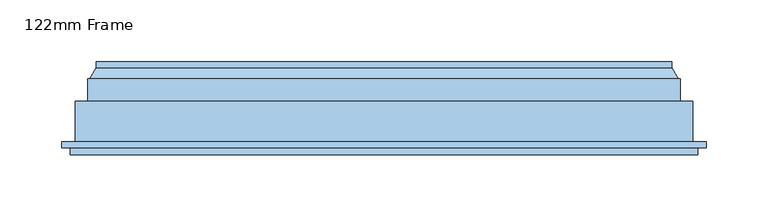
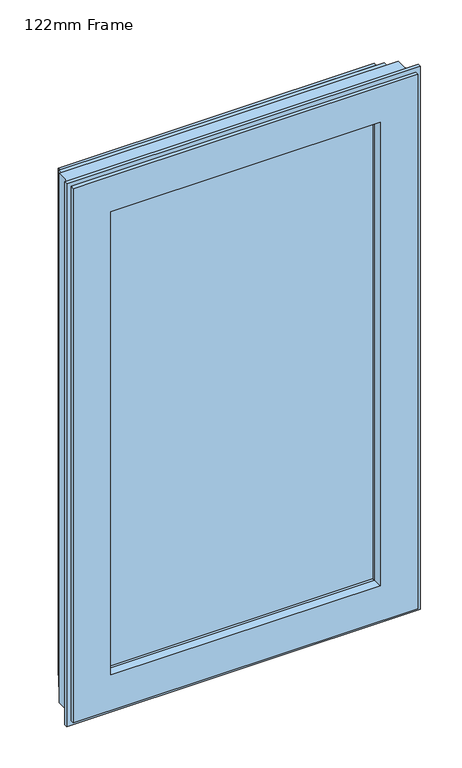
"""IFC4 building model written with IfcOpenShell, lengths in millimetres: window geometry, 122mm Frame."""

from ifc_helpers import new_model, si_unit, frame, origin, place, context, project, spatial, polyline, ellipse_curve, outline, extrude, source, transform, mapped, element, save
from ifc_brep_helpers import plane_surface, cylinder_surface, revolved_surface, advanced_brep


def window_122mm_frame_e2313d2b(model_context):
    return source(origin(), model_context, "Body", "SolidModel", [
        advanced_brep(
        [(-232.3998467, 153.0, 1743.6001533), (-232.3998467, 148.4070391, 1743.6001533), (-232.3998467, 148.4070391, 2532.3998467), (-232.3998467, 153.0, 2532.3998467), (-237.6739389, 139.5531262, 1738.3260611), (-237.6739389, 139.5531262, 2537.6739389), (232.3998467, 148.4070391, 2532.3998467), (232.3998467, 153.0, 2532.3998467), (232.3998467, 153.0, 1743.6001533), (-212.9631076, 153.0, 1763.0368924), (212.9631076, 153.0, 1763.0368924), (212.9631076, 153.0, 2512.9631076), (-212.9631076, 153.0, 2512.9631076), (-239.5133955, 139.5531262, 2539.5133955), (239.5133955, 139.5531262, 2539.5133955), (239.5133955, 139.5531262, 1736.4866045), (-239.5133955, 139.5531262, 1736.4866045), (237.6739389, 139.5531262, 1738.3260611), (237.6739389, 139.5531262, 2537.6739389), (-239.5133955, 121.0, 1736.4866045), (-239.5133955, 121.0, 2539.5133955), (-249.5133955, 121.0, 2549.5133955), (249.5133955, 121.0, 2549.5133955), (249.5133955, 121.0, 1726.4866045), (-249.5133955, 121.0, 1726.4866045), (239.5133955, 121.0, 1736.4866045), (239.5133955, 121.0, 2539.5133955), (-249.5133955, 88.5, 1726.4866045), (-249.5133955, 88.5, 2549.5133955), (-260.2977, 88.5, 2560.2977), (260.2976999, 88.5, 2560.2977), (260.2976999, 88.5, 1715.7023), (-260.2977, 88.5, 1715.7023), (249.5133955, 88.5, 1726.4866045), (249.5133955, 88.5, 2549.5133955), (-260.2977, 83.5, 1715.7023), (-260.2977, 83.5, 2560.2977), (260.2976999, 83.5, 1715.7023), (260.2976999, 83.5, 2560.2977), (-253.5, 83.5, 2553.5), (253.5, 83.5, 2553.5), (253.5, 83.5, 1722.5), (-253.5, 83.5, 1722.5), (-253.5, 78.0, 1722.5), (-253.5, 78.0, 2553.5), (253.5, 78.0, 1722.5), (253.5, 78.0, 2553.5), (-198.3157816, 78.0, 2498.3157816), (198.3157816, 78.0, 2498.3157816), (198.3157816, 78.0, 1777.6842184), (-198.3157816, 78.0, 1777.6842184), (-196.0003067, 88.8934531, 1779.9996933), (-196.0003067, 88.8934531, 2496.0003067), (-196.0003067, 93.0, 1779.9996933), (-196.0003067, 93.0, 2496.0003067), (196.0003067, 88.8934531, 2496.0003067), (-210.0, 93.0, 2510.0), (210.0, 93.0, 2510.0), (210.0, 93.0, 1766.0), (-210.0, 93.0, 1766.0), (196.0003067, 93.0, 1779.9996933), (196.0003067, 93.0, 2496.0003067), (-210.0, 141.0, 1766.0), (-210.0, 141.0, 2510.0), (210.0, 141.0, 1766.0), (210.0, 141.0, 2510.0), (-195.5878486, 141.0, 2495.5878486), (195.5878486, 141.0, 2495.5878486), (195.5878486, 141.0, 1780.4121514), (-195.5878486, 141.0, 1780.4121514), (-199.2566168, 153.0, 1776.7433832), (-199.2566168, 153.0, 2499.2566168), (-206.0349044, 153.0, 2506.0349044), (206.0349044, 153.0, 2506.0349044), (206.0349044, 153.0, 1769.9650956), (-206.0349044, 153.0, 1769.9650956), (199.2566168, 153.0, 1776.7433832), (199.2566168, 153.0, 2499.2566168), (-207.3339425, 152.25, 1768.6660575), (-207.3339425, 152.25, 2507.3339425), (-211.6640695, 152.25, 1764.3359305), (-211.6640695, 152.25, 2511.6640695), (207.3339425, 152.25, 2507.3339425), (211.6640695, 152.25, 2511.6640695), (232.3998467, 148.4070391, 1743.6001533), (196.0003067, 88.8934531, 1779.9996933), (207.3339425, 152.25, 1768.6660575), (211.6640695, 152.25, 1764.3359305)],
        [
            (0, 1),
            (1, 2),
            (2, 3),
            (3, 0),
            (1, 4),
            (4, 5),
            (5, 2),
            (2, 6),
            (6, 7),
            (7, 3),
            (7, 8),
            (8, 0),
            (9, 10),
            (10, 11),
            (11, 12),
            (12, 9),
            (13, 14),
            (14, 15),
            (15, 16),
            (16, 13),
            (4, 17),
            (17, 18),
            (18, 5),
            (18, 6),
            (16, 19),
            (19, 20),
            (20, 13),
            (21, 22),
            (22, 23),
            (23, 24),
            (24, 21),
            (19, 25),
            (25, 26),
            (26, 20),
            (26, 14),
            (24, 27),
            (27, 28),
            (28, 21),
            (29, 30),
            (30, 31),
            (31, 32),
            (32, 29),
            (27, 33),
            (33, 34),
            (34, 28),
            (34, 22),
            (32, 35),
            (35, 36),
            (36, 29),
            (35, 37),
            (37, 38),
            (38, 36),
            (39, 40),
            (40, 41),
            (41, 42),
            (42, 39),
            (38, 30),
            (42, 43),
            (43, 44),
            (44, 39),
            (43, 45),
            (45, 46),
            (46, 44),
            (47, 48),
            (48, 49),
            (49, 50),
            (50, 47),
            (46, 40),
            (50, 51),
            (51, 52),
            (52, 47),
            (51, 53),
            (53, 54),
            (54, 52),
            (52, 55),
            (55, 48),
            (56, 57),
            (57, 58),
            (58, 59),
            (59, 56),
            (53, 60),
            (60, 61),
            (61, 54),
            (61, 55),
            (59, 62),
            (62, 63),
            (63, 56),
            (62, 64),
            (64, 65),
            (65, 63),
            (66, 67),
            (67, 68),
            (68, 69),
            (69, 66),
            (65, 57),
            (69, 70),
            (70, 71),
            (71, 66),
            (72, 73),
            (73, 74),
            (74, 75),
            (75, 72),
            (70, 76),
            (76, 77),
            (77, 71),
            (77, 67),
            (75, 78, ellipse_curve(frame((-206.0349044, 151.5, 1769.9650956), z_axis=(-0.7071067811865475, 0.0, 0.7071067811865475), x_axis=(-0.7071067811865474, 0.0, -0.7071067811865476)), 2.1213203, 1.5)),
            (78, 79),
            (79, 72, ellipse_curve(frame((-206.0349044, 151.5, 2506.0349044), z_axis=(-0.7071067811865475, 0.0, -0.7071067811865475), x_axis=(0.7071067811865474, 0.0, -0.7071067811865476)), 2.1213203, 1.5)),
            (78, 80, ellipse_curve(frame((-209.499006, 153.5, 1766.500994), z_axis=(0.7071067811865475, 0.0, -0.7071067811865475), x_axis=(0.7071067811865474, 0.0, 0.7071067811865476)), 3.5355339, 2.5)),
            (80, 81),
            (81, 79, ellipse_curve(frame((-209.499006, 153.5, 2509.499006), z_axis=(0.7071067811865475, 0.0, 0.7071067811865475), x_axis=(-0.7071067811865474, 0.0, 0.7071067811865476)), 3.5355339, 2.5)),
            (79, 82),
            (82, 73, ellipse_curve(frame((206.0349044, 151.5, 2506.0349044), z_axis=(-0.7071067811865475, 0.0, 0.7071067811865475), x_axis=(-0.7071067811865476, 0.0, -0.7071067811865474)), 2.1213203, 1.5)),
            (80, 9, ellipse_curve(frame((-212.9631076, 151.5, 1763.0368924), z_axis=(-0.7071067811865475, 0.0, 0.7071067811865475), x_axis=(-0.7071067811865474, 0.0, -0.7071067811865476)), 2.1213203, 1.5)),
            (12, 81, ellipse_curve(frame((-212.9631076, 151.5, 2512.9631076), z_axis=(-0.7071067811865475, 0.0, -0.7071067811865475), x_axis=(0.7071067811865474, 0.0, -0.7071067811865476)), 2.1213203, 1.5)),
            (81, 83),
            (83, 82, ellipse_curve(frame((209.499006, 153.5, 2509.499006), z_axis=(0.7071067811865475, 0.0, -0.7071067811865475), x_axis=(0.7071067811865476, 0.0, 0.7071067811865474)), 3.5355339, 2.5)),
            (11, 83, ellipse_curve(frame((212.9631076, 151.5, 2512.9631076), z_axis=(-0.7071067811865475, 0.0, 0.7071067811865475), x_axis=(-0.7071067811865476, 0.0, -0.7071067811865474)), 2.1213203, 1.5)),
            (6, 84),
            (84, 8),
            (17, 84),
            (25, 15),
            (33, 23),
            (37, 31),
            (45, 41),
            (55, 85),
            (85, 49),
            (60, 85),
            (64, 58),
            (76, 68),
            (82, 86),
            (86, 74, ellipse_curve(frame((206.0349044, 151.5, 1769.9650956), z_axis=(0.7071067811865475, 0.0, 0.7071067811865475), x_axis=(-0.7071067811865474, 0.0, 0.7071067811865476)), 2.1213203, 1.5)),
            (83, 87),
            (87, 86, ellipse_curve(frame((209.499006, 153.5, 1766.500994), z_axis=(-0.7071067811865475, 0.0, -0.7071067811865475), x_axis=(0.7071067811865474, 0.0, -0.7071067811865476)), 3.5355339, 2.5)),
            (10, 87, ellipse_curve(frame((212.9631076, 151.5, 1763.0368924), z_axis=(0.7071067811865475, 0.0, 0.7071067811865475), x_axis=(-0.7071067811865474, 0.0, 0.7071067811865476)), 2.1213203, 1.5)),
            (84, 1),
            (85, 51),
            (86, 78),
            (87, 80),
        ],
        [
            plane_surface(frame((-232.3998467, 148.4070391, 1743.6001533), z_axis=(-1.0, 0.0, 0.0), x_axis=(0.0, 0.0, 1.0))),
            plane_surface(frame((-237.6739389, 139.5531262, 1738.3260611), z_axis=(-0.8591262587254928, 0.5117636872310675, 0.0), x_axis=(0.0, 0.0, 1.0))),
            plane_surface(frame((-232.3998467, 148.4070391, 2532.3998467), z_axis=(0.0, 0.0, 1.0), x_axis=(1.0, 0.0, 0.0))),
            plane_surface(frame((232.3998467, 153.0, 1743.6001533), z_axis=(0.0, 1.0, 0.0), x_axis=(-1.0, 0.0, 0.0))),
            plane_surface(frame((239.5133955, 139.5531262, 1736.4866045), z_axis=(0.0, 1.0, 0.0), x_axis=(-1.0, 0.0, 0.0))),
            plane_surface(frame((-237.6739389, 139.5531262, 2537.6739389), z_axis=(0.0, 0.5117636872310675, 0.8591262587254928), x_axis=(1.0, 0.0, 0.0))),
            plane_surface(frame((-239.5133955, 121.0, 1736.4866045), z_axis=(-1.0, 0.0, 0.0), x_axis=(0.0, 0.0, 1.0))),
            plane_surface(frame((249.5133955, 121.0, 1726.4866045), z_axis=(0.0, 1.0, 0.0), x_axis=(-1.0, 0.0, 0.0))),
            plane_surface(frame((-239.5133955, 121.0, 2539.5133955), z_axis=(0.0, 0.0, 1.0), x_axis=(1.0, 0.0, 0.0))),
            plane_surface(frame((-249.5133955, 88.5, 1726.4866045), z_axis=(-1.0, 0.0, 0.0), x_axis=(0.0, 0.0, 1.0))),
            plane_surface(frame((260.2976999, 88.5, 1715.7023), z_axis=(0.0, 1.0, 0.0), x_axis=(-1.0, 0.0, 0.0))),
            plane_surface(frame((-249.5133955, 88.5, 2549.5133955), z_axis=(0.0, 0.0, 1.0), x_axis=(1.0, 0.0, 0.0))),
            plane_surface(frame((-260.2977, 83.5, 1715.7023), z_axis=(-1.0, 0.0, 0.0), x_axis=(0.0, 0.0, 1.0))),
            plane_surface(frame((253.5, 83.5, 1722.5), z_axis=(0.0, -1.0, 0.0), x_axis=(-1.0, 0.0, 0.0))),
            plane_surface(frame((-260.2977, 83.5, 2560.2977), z_axis=(0.0, 0.0, 1.0), x_axis=(1.0, 0.0, 0.0))),
            plane_surface(frame((-253.5, 78.0, 1722.5), z_axis=(-1.0, 0.0, 0.0), x_axis=(0.0, 0.0, 1.0))),
            plane_surface(frame((198.3157816, 78.0, 1777.6842184), z_axis=(0.0, -1.0, 0.0), x_axis=(-1.0, 0.0, 0.0))),
            plane_surface(frame((-253.5, 78.0, 2553.5), z_axis=(0.0, 0.0, 1.0), x_axis=(1.0, 0.0, 0.0))),
            plane_surface(frame((-196.0003067, 88.8934531, 1779.9996933), z_axis=(0.9781476007338071, -0.2079116908177525, 0.0), x_axis=(0.0, 0.0, 1.0))),
            plane_surface(frame((-196.0003067, 93.0, 1779.9996933), z_axis=(1.0, 0.0, 0.0), x_axis=(0.0, 0.0, 1.0))),
            plane_surface(frame((-196.0003067, 88.8934531, 2496.0003067), z_axis=(0.0, -0.2079116908177525, -0.9781476007338071), x_axis=(1.0, 0.0, 0.0))),
            plane_surface(frame((210.0, 93.0, 1766.0), z_axis=(0.0, 1.0, 0.0), x_axis=(-1.0, 0.0, 0.0))),
            plane_surface(frame((-196.0003067, 93.0, 2496.0003067), z_axis=(0.0, 0.0, -1.0), x_axis=(1.0, 0.0, 0.0))),
            plane_surface(frame((-210.0, 141.0, 1766.0), z_axis=(1.0, 0.0, 0.0), x_axis=(0.0, 0.0, 1.0))),
            plane_surface(frame((195.5878486, 141.0, 1780.4121514), z_axis=(0.0, -1.0, 0.0), x_axis=(-1.0, 0.0, 0.0))),
            plane_surface(frame((-210.0, 141.0, 2510.0), z_axis=(0.0, 0.0, -1.0), x_axis=(1.0, 0.0, 0.0))),
            plane_surface(frame((-199.2566168, 153.0, 1776.7433832), z_axis=(0.9563047559629783, 0.29237170472292384, 0.0), x_axis=(0.0, 0.0, 1.0))),
            plane_surface(frame((206.0349044, 153.0, 1769.9650956), z_axis=(0.0, 1.0, 0.0), x_axis=(-1.0, 0.0, 0.0))),
            plane_surface(frame((-199.2566168, 153.0, 2499.2566168), z_axis=(0.0, 0.29237170472292384, -0.9563047559629783), x_axis=(1.0, 0.0, 0.0))),
            cylinder_surface(frame((-206.0349044, 151.5, 1738.4), z_axis=(0.0, 0.0, -1.0), x_axis=(1.0, 0.0, 0.0)), 1.5),
            revolved_surface(polyline([(-206.999006, 153.5, 2511.999005995805), (-206.999006, 153.5, 1764.000994004195)]), (-209.499006, 153.5, 1738.4), (0.0, 0.0, 1.0)),
            cylinder_surface(frame((-237.6, 151.5, 2506.0349044), z_axis=(-1.0, 0.0, 0.0), x_axis=(0.0, 0.0, -1.0)), 1.5),
            cylinder_surface(frame((-212.9631076, 151.5, 1738.4), z_axis=(0.0, 0.0, -1.0), x_axis=(1.0, 0.0, 0.0)), 1.5),
            revolved_surface(polyline([(211.99900599580494, 153.5, 2506.999006), (-211.99900599580494, 153.5, 2506.999006)]), (-237.6, 153.5, 2509.499006), (1.0, 0.0, 0.0)),
            cylinder_surface(frame((-237.6, 151.5, 2512.9631076), z_axis=(-1.0, 0.0, 0.0), x_axis=(0.0, 0.0, -1.0)), 1.5),
            plane_surface(frame((232.3998467, 148.4070391, 2532.3998467), z_axis=(1.0, 0.0, 0.0), x_axis=(0.0, 0.0, -1.0))),
            plane_surface(frame((237.6739389, 139.5531262, 2537.6739389), z_axis=(0.8591262587254928, 0.5117636872310675, 0.0), x_axis=(0.0, 0.0, -1.0))),
            plane_surface(frame((239.5133955, 121.0, 2539.5133955), z_axis=(1.0, 0.0, 0.0), x_axis=(0.0, 0.0, -1.0))),
            plane_surface(frame((249.5133955, 88.5, 2549.5133955), z_axis=(1.0, 0.0, 0.0), x_axis=(0.0, 0.0, -1.0))),
            plane_surface(frame((260.2976999, 83.5, 2560.2977), z_axis=(1.0, 0.0, 0.0), x_axis=(0.0, 0.0, -1.0))),
            plane_surface(frame((253.5, 78.0, 2553.5), z_axis=(1.0, 0.0, 0.0), x_axis=(0.0, 0.0, -1.0))),
            plane_surface(frame((196.0003067, 88.8934531, 2496.0003067), z_axis=(-0.9781476007338071, -0.2079116908177525, 0.0), x_axis=(0.0, 0.0, -1.0))),
            plane_surface(frame((196.0003067, 93.0, 2496.0003067), z_axis=(-1.0, 0.0, 0.0), x_axis=(0.0, 0.0, -1.0))),
            plane_surface(frame((210.0, 141.0, 2510.0), z_axis=(-1.0, 0.0, 0.0), x_axis=(0.0, 0.0, -1.0))),
            plane_surface(frame((199.2566168, 153.0, 2499.2566168), z_axis=(-0.9563047559629783, 0.29237170472292384, 0.0), x_axis=(0.0, 0.0, -1.0))),
            cylinder_surface(frame((206.0349044, 151.5, 2537.6), z_axis=(0.0, 0.0, 1.0), x_axis=(-1.0, 0.0, 0.0)), 1.5),
            revolved_surface(polyline([(206.999006, 153.5, 1764.000994004195), (206.999006, 153.5, 2511.999005995805)]), (209.499006, 153.5, 2537.6), (0.0, 0.0, -1.0)),
            cylinder_surface(frame((212.9631076, 151.5, 2537.6), z_axis=(0.0, 0.0, 1.0), x_axis=(-1.0, 0.0, 0.0)), 1.5),
            plane_surface(frame((232.3998467, 148.4070391, 1743.6001533), z_axis=(0.0, 0.0, -1.0), x_axis=(-1.0, 0.0, 0.0))),
            plane_surface(frame((237.6739389, 139.5531262, 1738.3260611), z_axis=(0.0, 0.5117636872310675, -0.8591262587254928), x_axis=(-1.0, 0.0, 0.0))),
            plane_surface(frame((239.5133955, 121.0, 1736.4866045), z_axis=(0.0, 0.0, -1.0), x_axis=(-1.0, 0.0, 0.0))),
            plane_surface(frame((249.5133955, 88.5, 1726.4866045), z_axis=(0.0, 0.0, -1.0), x_axis=(-1.0, 0.0, 0.0))),
            plane_surface(frame((260.2976999, 83.5, 1715.7023), z_axis=(0.0, 0.0, -1.0), x_axis=(-1.0, 0.0, 0.0))),
            plane_surface(frame((253.5, 78.0, 1722.5), z_axis=(0.0, 0.0, -1.0), x_axis=(-1.0, 0.0, 0.0))),
            plane_surface(frame((196.0003067, 88.8934531, 1779.9996933), z_axis=(0.0, -0.2079116908177525, 0.9781476007338071), x_axis=(-1.0, 0.0, 0.0))),
            plane_surface(frame((196.0003067, 93.0, 1779.9996933), z_axis=(0.0, 0.0, 1.0), x_axis=(-1.0, 0.0, 0.0))),
            plane_surface(frame((210.0, 141.0, 1766.0), z_axis=(0.0, 0.0, 1.0), x_axis=(-1.0, 0.0, 0.0))),
            plane_surface(frame((199.2566168, 153.0, 1776.7433832), z_axis=(0.0, 0.29237170472292384, 0.9563047559629783), x_axis=(-1.0, 0.0, 0.0))),
            cylinder_surface(frame((237.6, 151.5, 1769.9650956), z_axis=(1.0, 0.0, 0.0), x_axis=(0.0, 0.0, 1.0)), 1.5),
            revolved_surface(polyline([(-211.99900599580494, 153.5, 1769.000994), (211.99900599580494, 153.5, 1769.000994)]), (237.6, 153.5, 1766.500994), (-1.0, 0.0, 0.0)),
            cylinder_surface(frame((237.6, 151.5, 1763.0368924), z_axis=(1.0, 0.0, 0.0), x_axis=(0.0, 0.0, 1.0)), 1.5),
        ],
        [
            (0, [[1, 2, 3, 4]]),
            (1, [[5, 6, 7, -2]]),
            (2, [[-3, 8, 9, 10]]),
            (3, [[-10, 11, 12, -4], [13, 14, 15, 16]]),
            (4, [[17, 18, 19, 20], [21, 22, 23, -6]]),
            (5, [[-7, -23, 24, -8]]),
            (6, [[25, 26, 27, -20]]),
            (7, [[28, 29, 30, 31], [32, 33, 34, -26]]),
            (8, [[-27, -34, 35, -17]]),
            (9, [[36, 37, 38, -31]]),
            (10, [[39, 40, 41, 42], [43, 44, 45, -37]]),
            (11, [[-38, -45, 46, -28]]),
            (12, [[47, 48, 49, -42]]),
            (13, [[50, 51, 52, -48], [53, 54, 55, 56]]),
            (14, [[-49, -52, 57, -39]]),
            (15, [[58, 59, 60, -56]]),
            (16, [[61, 62, 63, -59], [64, 65, 66, 67]]),
            (17, [[-60, -63, 68, -53]]),
            (18, [[69, 70, 71, -67]]),
            (19, [[72, 73, 74, -70]]),
            (20, [[-71, 75, 76, -64]]),
            (21, [[77, 78, 79, 80], [81, 82, 83, -73]]),
            (22, [[-74, -83, 84, -75]]),
            (23, [[85, 86, 87, -80]]),
            (24, [[88, 89, 90, -86], [91, 92, 93, 94]]),
            (25, [[-87, -90, 95, -77]]),
            (26, [[96, 97, 98, -94]]),
            (27, [[99, 100, 101, 102], [103, 104, 105, -97]]),
            (28, [[-98, -105, 106, -91]]),
            (29, [[107, 108, 109, -102]]),
            (30, [[110, 111, 112, -108]]),
            (31, [[-109, 113, 114, -99]]),
            (32, [[115, -16, 116, -111]]),
            (33, [[-112, 117, 118, -113]]),
            (34, [[-116, -15, 119, -117]]),
            (35, [[-9, 120, 121, -11]]),
            (36, [[-24, -22, 122, -120]]),
            (37, [[-35, -33, 123, -18]]),
            (38, [[-46, -44, 124, -29]]),
            (39, [[-57, -51, 125, -40]]),
            (40, [[-68, -62, 126, -54]]),
            (41, [[-76, 127, 128, -65]]),
            (42, [[-84, -82, 129, -127]]),
            (43, [[-95, -89, 130, -78]]),
            (44, [[-106, -104, 131, -92]]),
            (45, [[-114, 132, 133, -100]]),
            (46, [[-118, 134, 135, -132]]),
            (47, [[-119, -14, 136, -134]]),
            (48, [[-121, 137, -1, -12]]),
            (49, [[-122, -21, -5, -137]]),
            (50, [[-123, -32, -25, -19]]),
            (51, [[-124, -43, -36, -30]]),
            (52, [[-125, -50, -47, -41]]),
            (53, [[-126, -61, -58, -55]]),
            (54, [[-128, 138, -69, -66]]),
            (55, [[-129, -81, -72, -138]]),
            (56, [[-130, -88, -85, -79]]),
            (57, [[-131, -103, -96, -93]]),
            (58, [[-133, 139, -107, -101]]),
            (59, [[-135, 140, -110, -139]]),
            (60, [[-136, -13, -115, -140]]),
        ],
    ),
        extrude(outline(polyline([(-210.0, 141.0), (210.0, 141.0), (210.0, 93.0), (-210.0, 93.0), (-210.0, 141.0)])), frame((0.0, 0.0, 1766.0), z_axis=(0.0, 0.0, 1.0), x_axis=(1.0, 0.0, 0.0)), (0.0, 0.0, 1.0), 744.0),
    ])


if __name__ == "__main__":
    model = new_model("IFC4")
    model_context = context("Model", 3, world=origin())
    ifc_project = project(units=[si_unit("LENGTHUNIT", "METRE", prefix="MILLI")], contexts=[model_context])
    site = spatial("IfcSite", under=ifc_project)
    building = spatial("IfcBuilding", under=site)
    placement = place(None, origin())
    window_122mm_frame_shape = window_122mm_frame_e2313d2b(model_context)
    element("IfcWindow", 1, ObjectType="122mm Frame", at=placement, inside=building, context=model_context, shape_type="MappedRepresentation", body=[
        mapped(window_122mm_frame_shape, transform((0.0, 0.0, 0.0), x_axis=(1.0, 0.0, 0.0), y_axis=(0.0, 1.0, 0.0), z_axis=(0.0, 0.0, 1.0))),
    ])
    save(model, "model.ifc")
